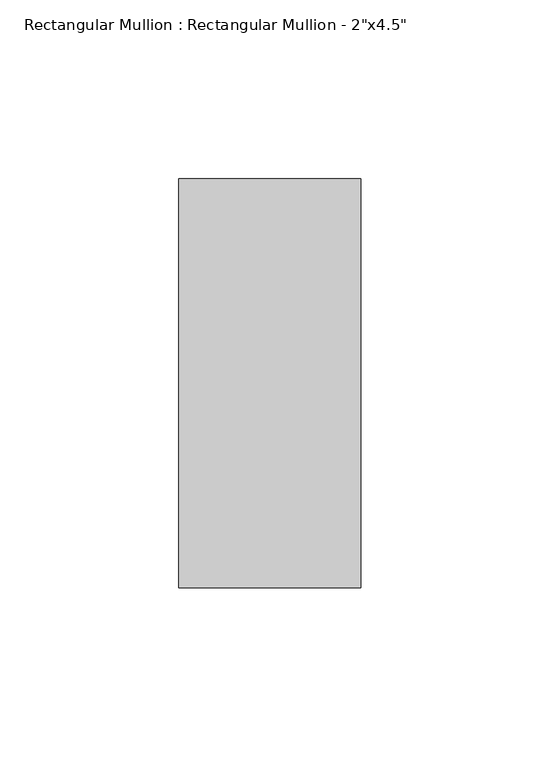
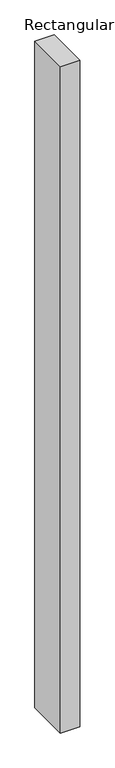
"""IFC4 building model written with IfcOpenShell, lengths in millimetres: member geometry."""

from ifc_helpers import new_model, si_unit, frame, origin, place, context, project, spatial, polyline, outline, extrude, source, transform, mapped, element, save


def member_d2d29181(model_context):
    return source(origin(), model_context, "Body", "SweptSolid", [
        extrude(outline(polyline([(0.0, 57.15), (0.0, -57.15), (-50.8, -57.15), (-50.8, 57.15), (0.0, 57.15)])), frame((0.0, 0.0, -1828.8), z_axis=(0.0, 0.0, 1.0), x_axis=(1.0, 0.0, 0.0)), (0.0, 0.0, 1.0), 1828.8),
    ])


if __name__ == "__main__":
    model = new_model("IFC4")
    model_context = context("Model", 3, world=origin())
    ifc_project = project(units=[si_unit("LENGTHUNIT", "METRE", prefix="MILLI")], contexts=[model_context])
    site = spatial("IfcSite", under=ifc_project)
    building = spatial("IfcBuilding", under=site)
    placement = place(None, origin())
    member_shape = member_d2d29181(model_context)
    element("IfcMember", 1, ObjectType="Rectangular Mullion : Rectangular Mullion - 2\"x4.5\"", at=placement, inside=building, context=model_context, shape_type="MappedRepresentation", body=[
        mapped(member_shape, transform((0.0, 0.0, 0.0), x_axis=(1.0, 0.0, 0.0), y_axis=(0.0, 1.0, 0.0), z_axis=(0.0, 0.0, 1.0))),
    ])
    save(model, "model.ifc")
